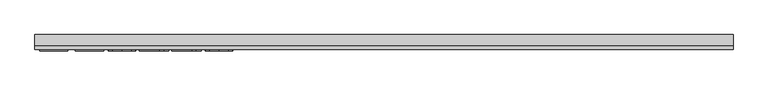
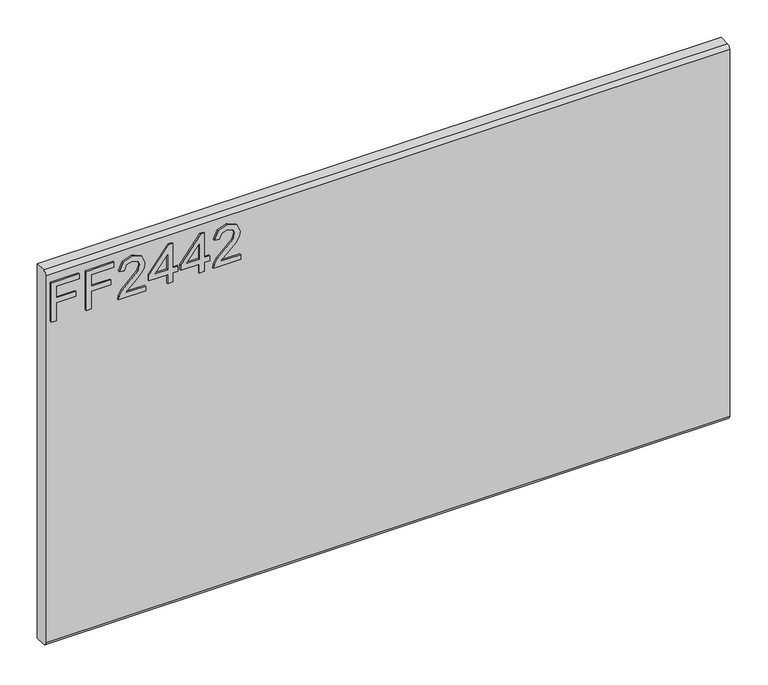
"""IFC4 building model written with IfcOpenShell, lengths in millimetres: furniture geometry."""

from ifc_helpers import new_model, si_unit, frame, origin, place, context, project, spatial, polyline, circle_curve, outline, extrude, source, transform, mapped, element, save
from ifc_brep_helpers import plane_surface, cylinder_surface, advanced_brep


def furniture_37529e51(model_context):
    return source(origin(), model_context, "Body", "SolidModel", [
        extrude(outline(polyline([(679.45, -520.0729953), (679.45, -512.0992757), (708.3547336, -512.0992757), (708.3547336, -482.1978271), (716.3284532, -482.1978271), (716.3284532, -512.0992757), (735.2660373, -512.0992757), (735.2660373, -477.2142524), (743.2397569, -477.2142524), (743.2397569, -520.0729953), (679.45, -520.0729953)])), frame((0.0, -15.0812439, 0.0), z_axis=(0.0, 1.0, 0.0), x_axis=(0.0, 0.0, 1.0)), (0.0, 0.0, 1.0), 2.38125),
        extrude(outline(polyline([(679.45, -466.2503879), (679.45, -458.2766683), (708.3547336, -458.2766683), (708.3547336, -428.3752197), (716.3284532, -428.3752197), (716.3284532, -458.2766683), (735.2660373, -458.2766683), (735.2660373, -423.391645), (743.2397569, -423.391645), (743.2397569, -466.2503879), (679.45, -466.2503879)])), frame((0.0, -15.0812439, 0.0), z_axis=(0.0, 1.0, 0.0), x_axis=(0.0, 0.0, 1.0)), (0.0, 0.0, 1.0), 2.38125),
        extrude(outline(polyline([(687.4237196, -374.5526123), (687.4237196, -405.8712649), (691.4806609, -402.2737469), (699.150694, -393.1008546), (710.0756243, -381.6775668), (717.8936072, -376.9665313), (725.4546245, -375.5493273), (738.1315928, -380.8054413), (743.2397569, -395.0787109), (738.645524, -409.3052594), (725.2988878, -415.4179253), (724.3021729, -407.4442057), (732.3537608, -404.0880796), (735.2660373, -395.2500212), (732.2836793, -386.7701573), (724.9718407, -383.5230469), (715.9391115, -386.9648282), (702.65477, -400.7319535), (693.4117962, -410.7146767), (684.9475059, -415.5580884), (679.45, -416.4146403), (679.45, -374.5526123), (687.4237196, -374.5526123)])), frame((0.0, -15.0812439, 0.0), z_axis=(0.0, 1.0, 0.0), x_axis=(0.0, 0.0, 1.0)), (0.0, 0.0, 1.0), 2.38125),
        extrude(outline(polyline([(679.45, -340.6643039), (679.45, -332.6905843), (694.4007243, -332.6905843), (694.4007243, -324.7168647), (702.3744439, -324.7168647), (702.3744439, -332.6905843), (742.243042, -332.6905843), (742.243042, -338.670874), (702.3744439, -369.5690375), (694.4007243, -369.5690375), (694.4007243, -340.6643039), (679.45, -340.6643039)]), holes=[polyline([(702.3744439, -340.6643039), (702.3744439, -359.7576247), (727.0119916, -340.6643039), (702.3744439, -340.6643039)])]), frame((0.0, -15.0812439, 0.0), z_axis=(0.0, 1.0, 0.0), x_axis=(0.0, 0.0, 1.0)), (0.0, 0.0, 1.0), 2.38125),
        extrude(outline(polyline([(679.45, -291.8252713), (679.45, -283.8515516), (694.4007243, -283.8515516), (694.4007243, -275.877832), (702.3744439, -275.877832), (702.3744439, -283.8515516), (742.243042, -283.8515516), (742.243042, -289.8318414), (702.3744439, -320.7300049), (694.4007243, -320.7300049), (694.4007243, -291.8252713), (679.45, -291.8252713)]), holes=[polyline([(702.3744439, -291.8252713), (702.3744439, -310.9185921), (727.0119916, -291.8252713), (702.3744439, -291.8252713)])]), frame((0.0, -15.0812439, 0.0), z_axis=(0.0, 1.0, 0.0), x_axis=(0.0, 0.0, 1.0)), (0.0, 0.0, 1.0), 2.38125),
        extrude(outline(polyline([(687.4237196, -228.0355143), (687.4237196, -259.354167), (691.4806609, -255.7566489), (699.150694, -246.5837566), (710.0756243, -235.1604689), (717.8936072, -230.4494333), (725.4546245, -229.0322293), (738.1315928, -234.2883433), (743.2397569, -248.5616129), (738.645524, -262.7881614), (725.2988878, -268.9008274), (724.3021729, -260.9271077), (732.3537608, -257.5709816), (735.2660373, -248.7329233), (732.2836793, -240.2530593), (724.9718407, -237.0059489), (715.9391115, -240.4477302), (702.65477, -254.2148555), (693.4117962, -264.1975787), (684.9475059, -269.0409904), (679.45, -269.8975423), (679.45, -228.0355143), (687.4237196, -228.0355143)])), frame((0.0, -15.0812439, 0.0), z_axis=(0.0, 1.0, 0.0), x_axis=(0.0, 0.0, 1.0)), (0.0, 0.0, 1.0), 2.38125),
        advanced_brep(
        [(527.05, 9.5250061, 762.0), (527.05, -6.7309939, 762.0), (527.05, -12.6999939, 756.031), (527.05, -12.6999939, 158.369), (527.05, -6.7309939, 152.4), (527.05, 9.5250061, 152.4), (-527.05, 9.5250061, 762.0), (-527.05, 9.5250061, 152.4), (-527.05, -6.7309939, 152.4), (-527.05, -12.6999939, 158.369), (-527.05, -12.6999939, 756.0310121), (-527.05, -6.7309939, 762.0)],
        [
            (0, 1),
            (1, 2, circle_curve(frame((527.05, -6.7309939, 756.031), z_axis=(1.0, 0.0, 0.0), x_axis=(0.0, 1.0, 0.0)), 5.969)),
            (2, 3),
            (3, 4, circle_curve(frame((527.05, -6.7309939, 158.369), z_axis=(1.0, 0.0, 0.0), x_axis=(0.0, 1.0, 0.0)), 5.969)),
            (4, 5),
            (5, 0),
            (6, 7),
            (7, 8),
            (8, 9, circle_curve(frame((-527.05, -6.7309939, 158.369), z_axis=(-1.0, 0.0, 0.0), x_axis=(0.0, 1.0, 0.0)), 5.969)),
            (9, 10),
            (10, 11, circle_curve(frame((-527.05, -6.7309939, 756.031), z_axis=(-1.0, 0.0, 0.0), x_axis=(0.0, 1.0, 0.0)), 5.969)),
            (11, 6),
            (0, 6),
            (11, 1),
            (10, 2),
            (9, 3),
            (8, 4),
            (7, 5),
        ],
        [
            plane_surface(frame((527.05, -6.7309939, 762.0), z_axis=(1.0, 0.0, 0.0), x_axis=(0.0, -1.0, 0.0))),
            plane_surface(frame((-527.05, -6.7309939, 762.0), z_axis=(-1.0, 0.0, 0.0), x_axis=(0.0, 1.0, 0.0))),
            plane_surface(frame((527.05, 9.5250061, 762.0), z_axis=(0.0, 0.0, 1.0), x_axis=(-1.0, 0.0, 0.0))),
            cylinder_surface(frame((-527.05, -6.7309939, 756.031), z_axis=(1.0, 0.0, 0.0), x_axis=(0.0, 1.0, 0.0)), 5.969),
            plane_surface(frame((527.05, -12.6999939, 756.0310121), z_axis=(0.0, -1.0, 0.0), x_axis=(-1.0, 0.0, 0.0))),
            cylinder_surface(frame((-527.05, -6.7309939, 158.369), z_axis=(1.0, 0.0, 0.0), x_axis=(0.0, 1.0, 0.0)), 5.969),
            plane_surface(frame((527.05, -6.7309939, 152.4), z_axis=(0.0, 0.0, -1.0), x_axis=(-1.0, 0.0, 0.0))),
            plane_surface(frame((527.05, 9.5250061, 152.4), z_axis=(0.0, 1.0, 0.0), x_axis=(-1.0, 0.0, 0.0))),
        ],
        [
            (0, [[1, 2, 3, 4, 5, 6]]),
            (1, [[7, 8, 9, 10, 11, 12]]),
            (2, [[-1, 13, -12, 14]]),
            (3, [[-2, -14, -11, 15]]),
            (4, [[-3, -15, -10, 16]]),
            (5, [[-4, -16, -9, 17]]),
            (6, [[-5, -17, -8, 18]]),
            (7, [[-6, -18, -7, -13]]),
        ],
    ),
    ])


if __name__ == "__main__":
    model = new_model("IFC4")
    model_context = context("Model", 3, world=origin())
    ifc_project = project(units=[si_unit("LENGTHUNIT", "METRE", prefix="MILLI")], contexts=[model_context])
    site = spatial("IfcSite", under=ifc_project)
    building = spatial("IfcBuilding", under=site)
    placement = place(None, origin())
    furniture_shape = furniture_37529e51(model_context)
    element("IfcFurniture", 1, at=placement, inside=building, context=model_context, shape_type="MappedRepresentation", body=[
        mapped(furniture_shape, transform((0.0, 0.0, 0.0), x_axis=(1.0, 0.0, 0.0), y_axis=(0.0, 1.0, 0.0), z_axis=(0.0, 0.0, 1.0))),
    ])
    save(model, "model.ifc")
